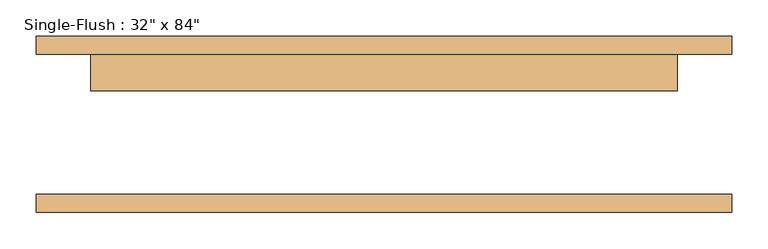
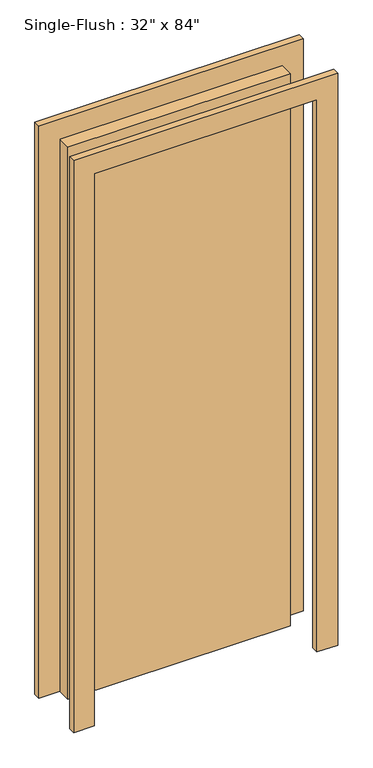
"""IFC4 building model written with IfcOpenShell, lengths in millimetres: door geometry."""

from ifc_helpers import new_model, si_unit, frame, origin, origin_with_axes, place, context, project, spatial, polyline, outline, extrude, source, transform, mapped, element, save


def door_61eef7d5(model_context):
    return source(origin(), model_context, "Body", "SweptSolid", [
        extrude(outline(polyline([(2209.8, -482.6), (0.0, -482.6), (0.0, -406.4), (2133.6, -406.4), (2133.6, 406.4), (0.0, 406.4), (0.0, 482.6), (2209.8, 482.6), (2209.8, -482.6)])), frame((0.0, 96.8375, 0.0), z_axis=(0.0, 1.0, 0.0), x_axis=(0.0, 0.0, 1.0)), (0.0, 0.0, 1.0), 25.4),
        extrude(outline(polyline([(2209.8, 482.6), (2209.8, -482.6), (0.0, -482.6), (0.0, -406.4), (2133.6, -406.4), (2133.6, 406.4), (0.0, 406.4), (0.0, 482.6), (2209.8, 482.6)])), frame((0.0, -122.2375, 0.0), z_axis=(0.0, 1.0, 0.0), x_axis=(0.0, 0.0, 1.0)), (0.0, 0.0, 1.0), 25.4),
        extrude(outline(polyline([(406.4, 46.0375), (-406.4, 46.0375), (-406.4, 96.8375), (406.4, 96.8375), (406.4, 46.0375)])), origin_with_axes(), (0.0, 0.0, 1.0), 2133.6),
    ])


if __name__ == "__main__":
    model = new_model("IFC4")
    model_context = context("Model", 3, world=origin())
    ifc_project = project(units=[si_unit("LENGTHUNIT", "METRE", prefix="MILLI")], contexts=[model_context])
    site = spatial("IfcSite", under=ifc_project)
    building = spatial("IfcBuilding", under=site)
    placement = place(None, origin())
    door_shape = door_61eef7d5(model_context)
    element("IfcDoor", 1, ObjectType="Single-Flush : 32\" x 84\"", at=placement, inside=building, context=model_context, shape_type="MappedRepresentation", body=[
        mapped(door_shape, transform((0.0, 0.0, 0.0), x_axis=(1.0, 0.0, 0.0), y_axis=(0.0, 1.0, 0.0), z_axis=(0.0, 0.0, 1.0))),
    ])
    save(model, "model.ifc")
